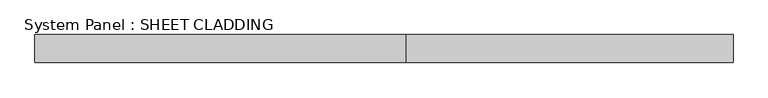
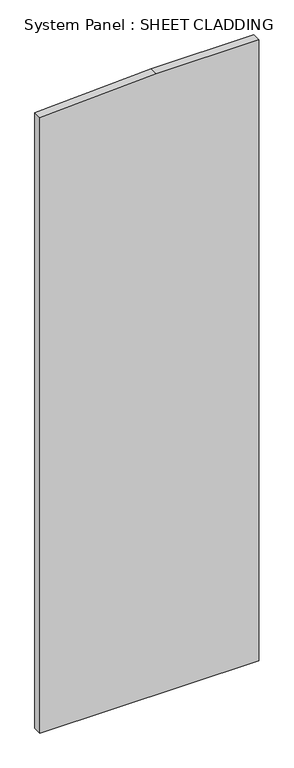
"""IFC4 building model written with IfcOpenShell, lengths in millimetres: plate geometry, System Panel : SHEET CLADDING."""

from ifc_helpers import new_model, si_unit, frame, origin, place, context, project, spatial, polyline, outline, extrude, source, transform, mapped, element, save


def system_panel_sheet_cladding_0b98ee34(model_context):
    return source(origin(), model_context, "Body", "SweptSolid", [
        extrude(outline(polyline([(0.0, -750.0), (0.0, 750.0), (4500.0, 750.0), (4500.0, 48.0), (4460.1, -750.0), (0.0, -750.0)])), frame((0.0, -49.5, 0.0), z_axis=(0.0, 1.0, 0.0), x_axis=(0.0, 0.0, 1.0)), (0.0, 0.0, 1.0), 60.0),
    ])


if __name__ == "__main__":
    model = new_model("IFC4")
    model_context = context("Model", 3, world=origin())
    ifc_project = project(units=[si_unit("LENGTHUNIT", "METRE", prefix="MILLI")], contexts=[model_context])
    site = spatial("IfcSite", under=ifc_project)
    building = spatial("IfcBuilding", under=site)
    placement = place(None, origin())
    system_panel_sheet_cladding_shape = system_panel_sheet_cladding_0b98ee34(model_context)
    element("IfcPlate", 1, ObjectType="System Panel : SHEET CLADDING", at=placement, inside=building, context=model_context, shape_type="MappedRepresentation", body=[
        mapped(system_panel_sheet_cladding_shape, transform((0.0, 0.0, 0.0), x_axis=(1.0, 0.0, 0.0), y_axis=(0.0, 1.0, 0.0), z_axis=(0.0, 0.0, 1.0))),
    ])
    save(model, "model.ifc")
